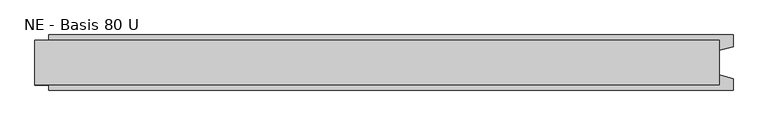
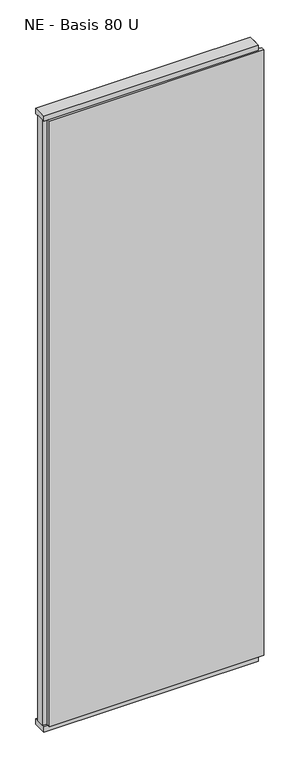
"""IFC4 building model written with IfcOpenShell, lengths in millimetres: plate geometry, NE - Basis 80 U."""

from ifc_helpers import new_model, si_unit, frame, origin, origin_with_axes, place, context, project, spatial, polyline, outline, extrude, source, transform, mapped, element, save


def ne_basis_80_u_7e7b27a9(model_context):
    return source(origin(), model_context, "Body", "SweptSolid", [
        extrude(outline(polyline([(514.375, 40.0), (514.375, 22.9993165), (494.375, 17.6401049), (494.375, -17.6401049), (514.375, -22.9993165), (514.375, -40.0), (-474.375, -40.0), (-474.375, -22.9993165), (-494.375, -17.6401049), (-494.375, 17.6401049), (-474.375, 22.9993165), (-474.375, 40.0), (514.375, 40.0)])), frame((0.0, 0.0, 25.0), z_axis=(0.0, 0.0, 1.0), x_axis=(1.0, 0.0, 0.0)), (0.0, 0.0, 1.0), 2950.0),
        extrude(outline(polyline([(494.375, 32.0), (494.375, -32.0), (-494.375, -32.0), (-494.375, 32.0), (494.375, 32.0)])), origin_with_axes(), (0.0, 0.0, 1.0), 25.0),
        extrude(outline(polyline([(494.375, 32.0), (494.375, -32.0), (-494.375, -32.0), (-494.375, 32.0), (494.375, 32.0)])), frame((0.0, 0.0, 2975.0), z_axis=(0.0, 0.0, 1.0), x_axis=(1.0, 0.0, 0.0)), (0.0, 0.0, 1.0), 25.0),
    ])


if __name__ == "__main__":
    model = new_model("IFC4")
    model_context = context("Model", 3, world=origin())
    ifc_project = project(units=[si_unit("LENGTHUNIT", "METRE", prefix="MILLI")], contexts=[model_context])
    site = spatial("IfcSite", under=ifc_project)
    building = spatial("IfcBuilding", under=site)
    placement = place(None, origin())
    ne_basis_80_u_shape = ne_basis_80_u_7e7b27a9(model_context)
    element("IfcPlate", 1, ObjectType="NE - Basis 80 U", at=placement, inside=building, context=model_context, shape_type="MappedRepresentation", body=[
        mapped(ne_basis_80_u_shape, transform((0.0, 0.0, 0.0), x_axis=(1.0, 0.0, 0.0), y_axis=(0.0, 1.0, 0.0), z_axis=(0.0, 0.0, 1.0))),
    ])
    save(model, "model.ifc")
